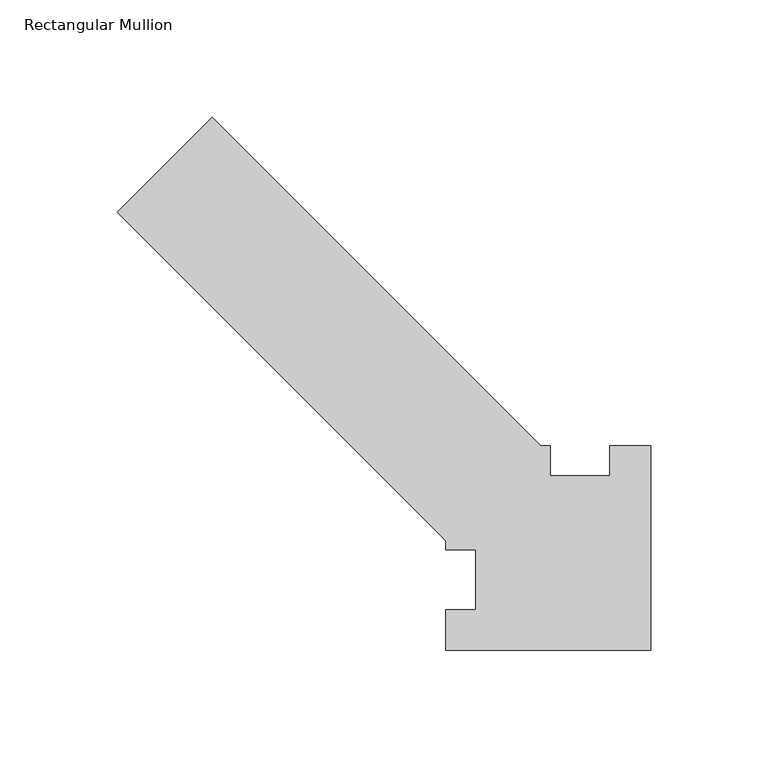
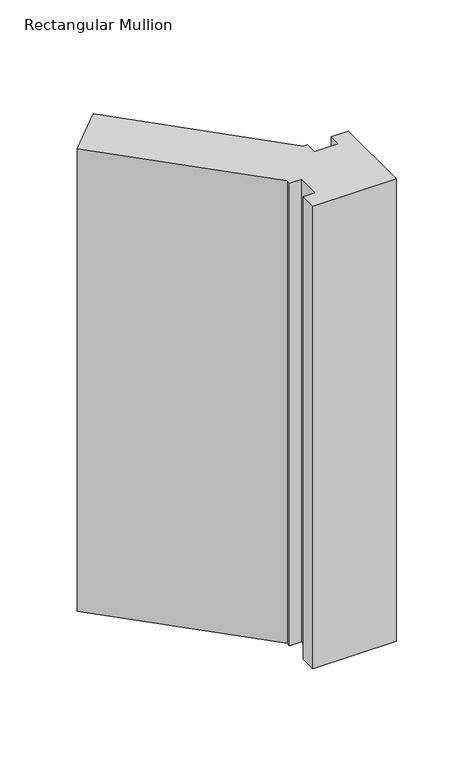
"""IFC4 building model written with IfcOpenShell, lengths in millimetres: member geometry, Rectangular Mullion."""

from ifc_helpers import new_model, si_unit, frame, origin, place, context, project, spatial, polyline, outline, extrude, source, transform, mapped, element, save


def rectangular_mullion_8476773c(model_context):
    return source(origin(), model_context, "Body", "SweptSolid", [
        extrude(outline(polyline([(-17.4625, 58.7375), (0.0, 58.7375), (0.0, -28.575), (-87.3125, -28.575), (-87.3125, -11.1125), (-74.6125, -11.1125), (-74.6125, 14.2875), (-87.3125, 14.2875), (-87.3125, 18.2221177), (-227.4807452, 158.3903629), (-187.0695926, 198.8015154), (-47.0055772, 58.7375), (-42.8625, 58.7375), (-42.8625, 46.0375), (-17.4625, 46.0375), (-17.4625, 58.7375)])), frame((0.0, 0.0, -514.35), z_axis=(0.0, 0.0, 1.0), x_axis=(1.0, 0.0, 0.0)), (0.0, 0.0, 1.0), 514.35),
    ])


if __name__ == "__main__":
    model = new_model("IFC4")
    model_context = context("Model", 3, world=origin())
    ifc_project = project(units=[si_unit("LENGTHUNIT", "METRE", prefix="MILLI")], contexts=[model_context])
    site = spatial("IfcSite", under=ifc_project)
    building = spatial("IfcBuilding", under=site)
    placement = place(None, origin())
    rectangular_mullion_shape = rectangular_mullion_8476773c(model_context)
    element("IfcMember", 1, ObjectType="Rectangular Mullion", at=placement, inside=building, context=model_context, shape_type="MappedRepresentation", body=[
        mapped(rectangular_mullion_shape, transform((0.0, 0.0, 0.0), x_axis=(1.0, 0.0, 0.0), y_axis=(0.0, 1.0, 0.0), z_axis=(0.0, 0.0, 1.0))),
    ])
    save(model, "model.ifc")
